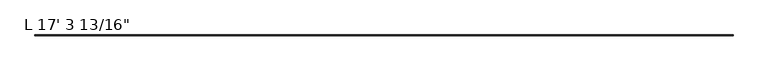
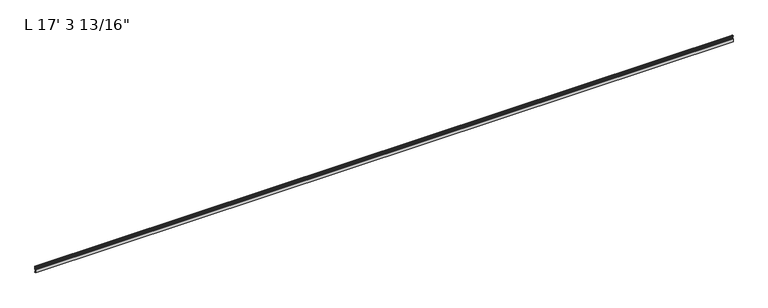
"""IFC4 building model written with IfcOpenShell, lengths in millimetres: proxy geometry."""

from ifc_helpers import new_model, si_unit, point, frame, frame_2d, origin, place, context, project, spatial, polyline, circle_curve, trimmed, segment, composite_curve, outline, extrude, source, transform, mapped, element, save


def proxy_e6dce355(model_context):
    return source(origin(), model_context, "Body", "SweptSolid", [
        extrude(outline(composite_curve([segment(polyline([(19.05, 16.8792515), (11.1125, 16.8792515), (11.1125, 42.2833359), (15.875, 42.2833359)]), True, "CONTINUOUS"), segment(trimmed(circle_curve(frame_2d((15.875, 43.8708359)), 1.5875), [point((15.875, 42.2833359))], [point((17.4625, 43.8708359))], True, "CARTESIAN"), True, "CONTINUOUS"), segment(polyline([(17.4625, 43.8708359), (17.4625, 46.2494644), (17.9716639, 47.166884), (17.9716639, 48.5070448), (17.4625, 49.4244644), (17.4625, 60.6120764)]), True, "CONTINUOUS"), segment(trimmed(circle_curve(frame_2d((16.9545, 60.6120764)), 0.508), [point((17.4625, 60.6120764))], [point((16.9376166, 61.1197958))], True, "CARTESIAN"), True, "CONTINUOUS"), segment(trimmed(circle_curve(frame_2d((16.9169378, 60.3580764)), 0.762), [point((16.9376166, 61.1197958))], [point((16.1779173, 60.1723546))], True, "CARTESIAN"), True, "CONTINUOUS"), segment(trimmed(circle_curve(frame_2d((15.6245238, 60.0332823)), 0.5706009), [point((16.1779173, 60.1723546))], [point((15.4364113, 59.4945809))], False, "CARTESIAN"), True, "CONTINUOUS"), segment(polyline([(15.4364113, 59.4945809), (13.6400687, 60.05524)]), True, "CONTINUOUS"), segment(trimmed(circle_curve(frame_2d((14.5481808, 62.9648167)), 3.048), [point((13.6400687, 60.05524))], [point((11.9462301, 64.5523167))], False, "CARTESIAN"), True, "CONTINUOUS"), segment(trimmed(circle_curve(frame_2d((14.5481808, 62.9648167)), 3.048), [point((11.9462301, 64.5523167))], [point((13.6400687, 65.8743933))], False, "CARTESIAN"), True, "CONTINUOUS"), segment(polyline([(13.6400687, 65.8743933), (15.4750158, 66.4471012)]), True, "CONTINUOUS"), segment(trimmed(circle_curve(frame_2d((15.6853088, 66.0271866)), 0.4696291), [point((15.4750158, 66.4471012))], [point((16.1549378, 66.0271866))], False, "CARTESIAN"), True, "CONTINUOUS"), segment(polyline([(16.1549378, 66.0271866), (16.1549378, 64.4855764)]), True, "CONTINUOUS"), segment(trimmed(circle_curve(frame_2d((17.7424378, 64.4855764)), 1.5875), [point((16.1549378, 64.4855764))], [point((17.7424378, 62.8980764))], True, "CARTESIAN"), True, "CONTINUOUS"), segment(polyline([(17.7424378, 62.8980764), (19.05, 62.8980764), (19.05, 42.2605764)]), True, "CONTINUOUS"), segment(trimmed(circle_curve(frame_2d((17.4625, 42.2605764)), 1.5875), [point((19.05, 42.2605764))], [point((17.4625, 40.6730764))], False, "CARTESIAN"), True, "CONTINUOUS"), segment(polyline([(17.4625, 40.6730764), (12.7, 40.6730764), (12.7, 18.4667515), (17.4625, 18.4667515), (17.4625, 20.0542515), (19.05, 20.0542515), (19.05, 16.8792515)]), True, "CONTINUOUS")], self_intersect=False)), frame((-4973.6375, 0.0, 0.0), z_axis=(1.0, 0.0, 0.0), x_axis=(0.0, 1.0, 0.0)), (0.0, 0.0, 1.0), 5278.4375),
    ])


if __name__ == "__main__":
    model = new_model("IFC4")
    model_context = context("Model", 3, world=origin())
    ifc_project = project(units=[si_unit("LENGTHUNIT", "METRE", prefix="MILLI")], contexts=[model_context])
    site = spatial("IfcSite", under=ifc_project)
    building = spatial("IfcBuilding", under=site)
    placement = place(None, origin())
    proxy_shape = proxy_e6dce355(model_context)
    element("IfcBuildingElementProxy", 1, Name="L 17' 3 13/16\"", ObjectType="L 17' 3 13/16\"", at=placement, inside=building, context=model_context, shape_type="MappedRepresentation", body=[
        mapped(proxy_shape, transform((0.0, 0.0, 0.0), x_axis=(1.0, 0.0, 0.0), y_axis=(0.0, 1.0, 0.0), z_axis=(0.0, 0.0, 1.0))),
    ])
    save(model, "model.ifc")
